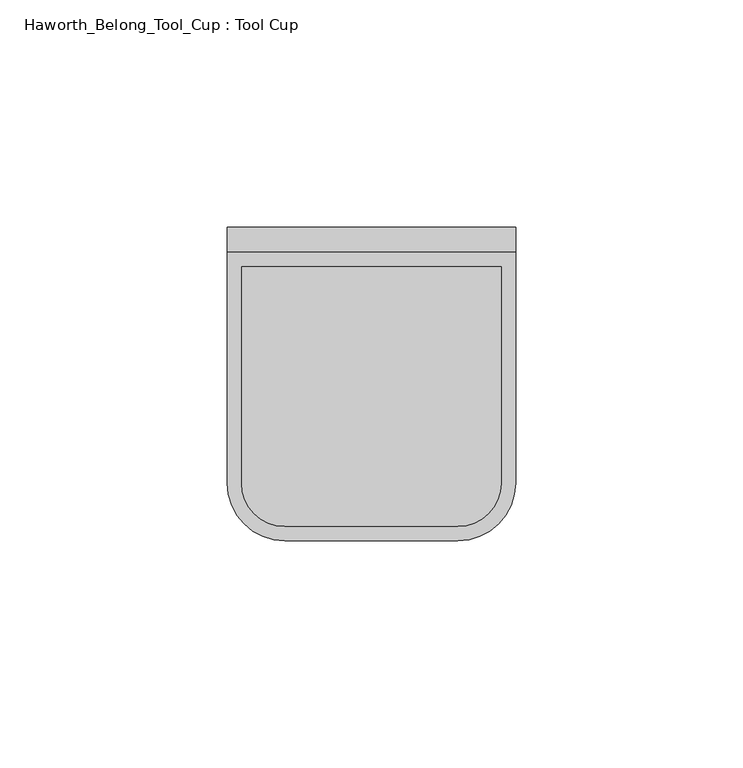
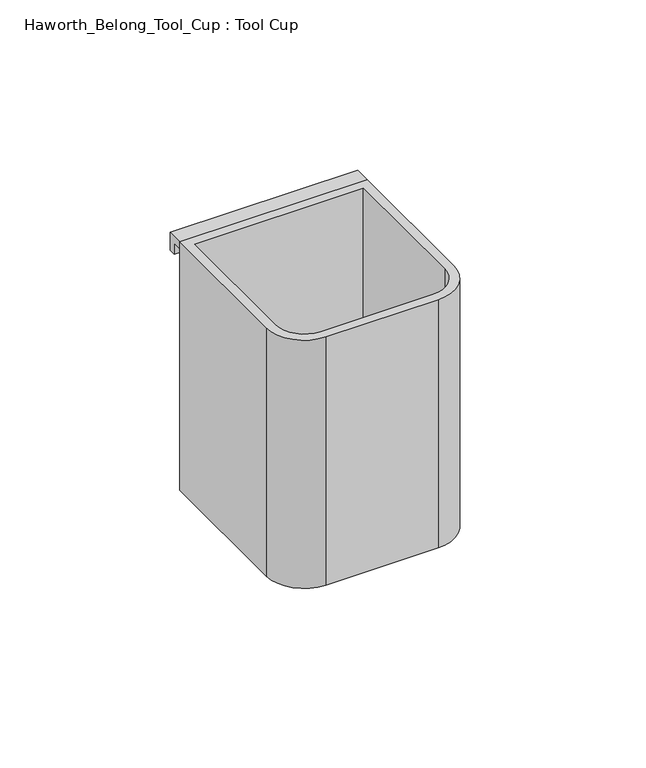
"""IFC4 building model written with IfcOpenShell, lengths in millimetres: furniture geometry, Haworth_Belong_Tool_Cup : Tool Cup."""

from ifc_helpers import new_model, si_unit, frame, origin, place, context, project, spatial, polyline, circle_curve, outline, extrude, source, transform, mapped, element, save
from ifc_brep_helpers import plane_surface, cylinder_surface, revolved_surface, advanced_brep


def haworth_belong_tool_cup_tool_cup_314b2932(model_context):
    return source(origin(), model_context, "Body", "SolidModel", [
        advanced_brep(
        [(133.35, -50.8, 88.9), (146.05, -63.5, 88.9), (184.15, -63.5, 88.9), (196.85, -50.8, 88.9), (196.85, 0.0, 88.9), (133.35, 0.0, 88.9), (193.675, -3.175, 88.9), (193.675, -50.8, 88.9), (184.15, -60.325, 88.9), (146.05, -60.325, 88.9), (136.525, -50.8, 88.9), (136.525, -3.175, 88.9), (196.85, -50.8, 0.0), (184.15, -63.5, 0.0), (146.05, -63.5, 0.0), (133.35, -50.8, 0.0), (133.35, 0.0, 0.0), (196.85, 0.0, 0.0), (193.675, -3.175, 3.175), (193.675, -50.8, 3.175), (184.15, -60.325, 3.175), (146.05, -60.325, 3.175), (136.525, -50.8, 3.175), (136.525, -3.175, 3.175)],
        [
            (0, 1, circle_curve(frame((146.05, -50.8, 88.9), z_axis=(0.0, 0.0, 1.0), x_axis=(1.0, 0.0, 0.0)), 12.7)),
            (1, 2),
            (2, 3, circle_curve(frame((184.15, -50.8, 88.9), z_axis=(0.0, 0.0, 1.0), x_axis=(1.0, 0.0, 0.0)), 12.7)),
            (3, 4),
            (4, 5),
            (5, 0),
            (6, 7),
            (7, 8, circle_curve(frame((184.15, -50.8, 88.9), z_axis=(0.0, 0.0, -1.0), x_axis=(1.0, 0.0, 0.0)), 9.525)),
            (8, 9),
            (9, 10, circle_curve(frame((146.05, -50.8, 88.9), z_axis=(0.0, 0.0, -1.0), x_axis=(1.0, 0.0, 0.0)), 9.525)),
            (10, 11),
            (11, 6),
            (12, 13, circle_curve(frame((184.15, -50.8, 0.0), z_axis=(0.0, 0.0, -1.0), x_axis=(1.0, 0.0, 0.0)), 12.7)),
            (13, 14),
            (14, 15, circle_curve(frame((146.05, -50.8, 0.0), z_axis=(0.0, 0.0, -1.0), x_axis=(1.0, 0.0, 0.0)), 12.7)),
            (15, 16),
            (16, 17),
            (17, 12),
            (15, 0),
            (5, 16),
            (14, 1),
            (13, 2),
            (12, 3),
            (17, 4),
            (6, 18),
            (18, 19),
            (19, 7),
            (19, 20, circle_curve(frame((184.15, -50.8, 3.175), z_axis=(0.0, 0.0, -1.0), x_axis=(1.0, 0.0, 0.0)), 9.525)),
            (20, 8),
            (20, 21),
            (21, 9),
            (21, 22, circle_curve(frame((146.05, -50.8, 3.175), z_axis=(0.0, 0.0, -1.0), x_axis=(1.0, 0.0, 0.0)), 9.525)),
            (22, 10),
            (22, 23),
            (23, 11),
            (23, 18),
        ],
        [
            plane_surface(frame((133.35, -3.175, 88.9), z_axis=(0.0, 0.0, 1.0), x_axis=(0.0, -1.0, 0.0))),
            plane_surface(frame((133.35, -3.175, 0.0), z_axis=(0.0, 0.0, -1.0), x_axis=(0.0, 1.0, 0.0))),
            plane_surface(frame((133.35, -3.175, 88.9), z_axis=(-1.0, 0.0, 0.0), x_axis=(0.0, 0.0, -1.0))),
            cylinder_surface(frame((146.05, -50.8, 0.0), z_axis=(0.0, 0.0, 1.0), x_axis=(1.0, 0.0, 0.0)), 12.7),
            plane_surface(frame((146.05, -63.5, 88.9), z_axis=(0.0, -1.0, 0.0), x_axis=(0.0, 0.0, -1.0))),
            cylinder_surface(frame((184.15, -50.8, 0.0), z_axis=(0.0, 0.0, 1.0), x_axis=(1.0, 0.0, 0.0)), 12.7),
            plane_surface(frame((196.85, -50.8, 88.9), z_axis=(1.0, 0.0, 0.0), x_axis=(0.0, 0.0, -1.0))),
            plane_surface(frame((193.675, -3.175, 88.9), z_axis=(-1.0, 0.0, 0.0), x_axis=(0.0, 0.0, -1.0))),
            revolved_surface(polyline([(193.675, -50.8, 3.175), (193.675, -50.8, 88.9)]), (184.15, -50.8, 0.0), (0.0, 0.0, -1.0)),
            plane_surface(frame((184.15, -60.325, 88.9), z_axis=(0.0, 1.0, 0.0), x_axis=(0.0, 0.0, -1.0))),
            revolved_surface(polyline([(155.57500000000002, -50.8, 3.175), (155.57500000000002, -50.8, 88.9)]), (146.05, -50.8, 0.0), (0.0, 0.0, -1.0)),
            plane_surface(frame((136.525, -50.8, 88.9), z_axis=(1.0, 0.0, 0.0), x_axis=(0.0, 0.0, -1.0))),
            plane_surface(frame((196.85, 0.0, 88.9), z_axis=(0.0, 1.0, 0.0), x_axis=(0.0, 0.0, -1.0))),
            plane_surface(frame((133.35, -3.175, 88.9), z_axis=(0.0, -1.0, 0.0), x_axis=(0.0, 0.0, -1.0))),
            plane_surface(frame((136.525, -3.175, 3.175), z_axis=(0.0, 0.0, 1.0), x_axis=(-1.0, 0.0, 0.0))),
        ],
        [
            (0, [[1, 2, 3, 4, 5, 6], [7, 8, 9, 10, 11, 12]]),
            (1, [[13, 14, 15, 16, 17, 18]]),
            (2, [[19, -6, 20, -16]]),
            (3, [[-1, -19, -15, 21]]),
            (4, [[-2, -21, -14, 22]]),
            (5, [[-3, -22, -13, 23]]),
            (6, [[-23, -18, 24, -4]]),
            (7, [[-7, 25, 26, 27]]),
            (8, [[-8, -27, 28, 29]]),
            (9, [[-9, -29, 30, 31]]),
            (10, [[-10, -31, 32, 33]]),
            (11, [[-11, -33, 34, 35]]),
            (12, [[-5, -24, -17, -20]]),
            (13, [[-12, -35, 36, -25]]),
            (14, [[-26, -36, -34, -32, -30, -28]]),
        ],
    ),
        extrude(outline(polyline([(3.175, 86.51875), (0.0, 86.51875), (0.0, 88.9), (5.55625, 88.9), (5.55625, 82.55), (3.175, 82.55), (3.175, 86.51875)])), frame((133.35, 0.0, 0.0), z_axis=(1.0, 0.0, 0.0), x_axis=(0.0, 1.0, 0.0)), (0.0, 0.0, 1.0), 63.5),
    ])


if __name__ == "__main__":
    model = new_model("IFC4")
    model_context = context("Model", 3, world=origin())
    ifc_project = project(units=[si_unit("LENGTHUNIT", "METRE", prefix="MILLI")], contexts=[model_context])
    site = spatial("IfcSite", under=ifc_project)
    building = spatial("IfcBuilding", under=site)
    placement = place(None, origin())
    haworth_belong_tool_cup_tool_cup_shape = haworth_belong_tool_cup_tool_cup_314b2932(model_context)
    element("IfcFurniture", 1, ObjectType="Haworth_Belong_Tool_Cup : Tool Cup", at=placement, inside=building, context=model_context, shape_type="MappedRepresentation", body=[
        mapped(haworth_belong_tool_cup_tool_cup_shape, transform((0.0, 0.0, 0.0), x_axis=(1.0, 0.0, 0.0), y_axis=(0.0, 1.0, 0.0), z_axis=(0.0, 0.0, 1.0))),
    ])
    save(model, "model.ifc")
